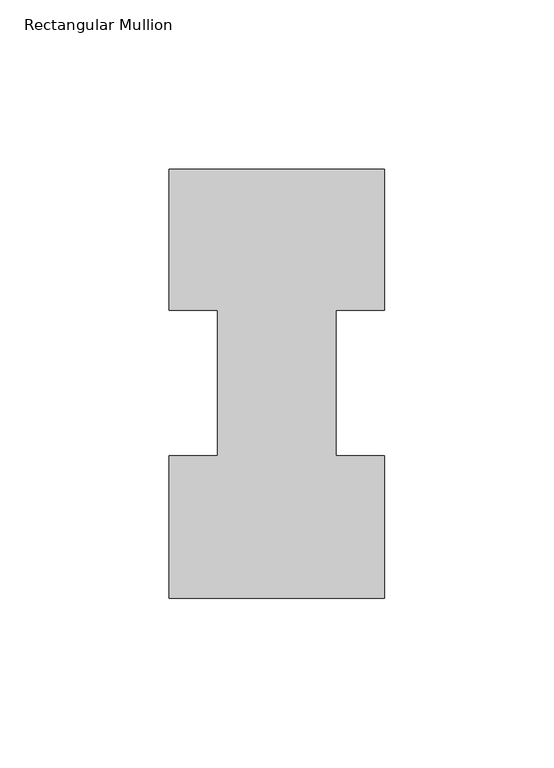
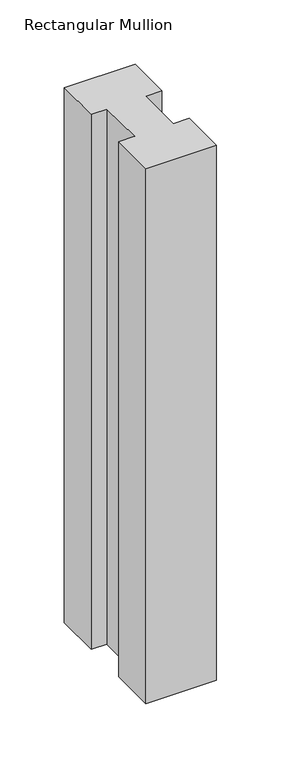
"""IFC4 building model written with IfcOpenShell, lengths in millimetres: member geometry, Rectangular Mullion."""

from ifc_helpers import new_model, si_unit, frame, origin, place, context, project, spatial, polyline, outline, extrude, source, transform, mapped, element, save


def rectangular_mullion_0b9a9e21(model_context):
    return source(origin(), model_context, "Body", "SweptSolid", [
        extrude(outline(polyline([(-63.5, 0.04445), (-63.5, 42.08145), (-49.2125, 42.08145), (-49.2125, 84.93125), (-63.5, 84.93125), (-63.5, 126.53645), (0.0, 126.53645), (0.0, 84.93125), (-14.2748, 84.93125), (-14.2748, 42.08145), (0.0, 42.08145), (0.0, 0.04445), (-63.5, 0.04445)])), frame((0.0, 0.0, -507.96825), z_axis=(0.0, 0.0, 1.0), x_axis=(1.0, 0.0, 0.0)), (0.0, 0.0, 1.0), 507.96825),
    ])


if __name__ == "__main__":
    model = new_model("IFC4")
    model_context = context("Model", 3, world=origin())
    ifc_project = project(units=[si_unit("LENGTHUNIT", "METRE", prefix="MILLI")], contexts=[model_context])
    site = spatial("IfcSite", under=ifc_project)
    building = spatial("IfcBuilding", under=site)
    placement = place(None, origin())
    rectangular_mullion_shape = rectangular_mullion_0b9a9e21(model_context)
    element("IfcMember", 1, ObjectType="Rectangular Mullion", at=placement, inside=building, context=model_context, shape_type="MappedRepresentation", body=[
        mapped(rectangular_mullion_shape, transform((0.0, 0.0, 0.0), x_axis=(1.0, 0.0, 0.0), y_axis=(0.0, 1.0, 0.0), z_axis=(0.0, 0.0, 1.0))),
    ])
    save(model, "model.ifc")
